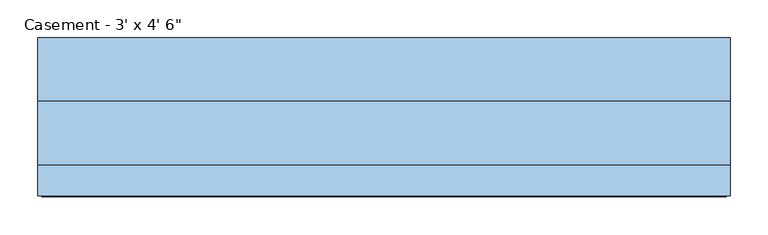
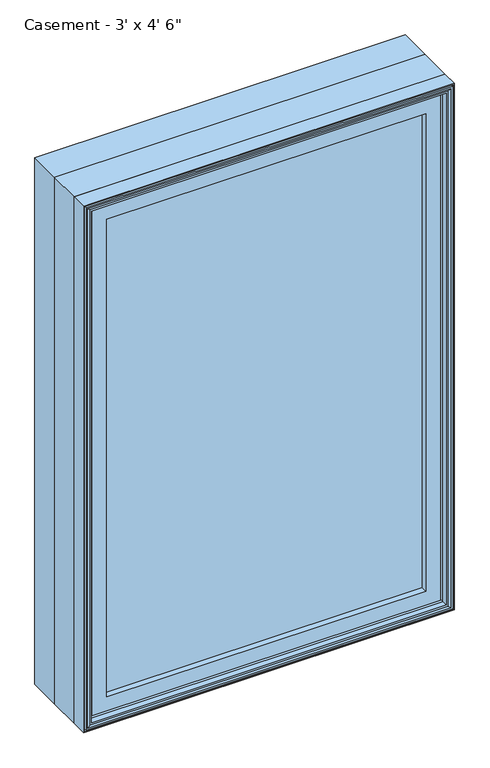
"""IFC4 building model written with IfcOpenShell, lengths in millimetres: window geometry."""

import ifcopenshell
import ifcopenshell.guid

model = None  # the IFC model being written
_history = None  # IfcOwnerHistory: only IFC2X3 demands one
_inside = {}  # id of a spatial element -> (the spatial element, [elements in it])
_under = {}  # id of a project, library or spatial element -> (it, [spatial elements below it])
_declared = {}  # id of a project -> (the project, [libraries it declares])
_typed = {}  # id of a type object -> (the type object, [elements of that type])
_made_of = {}  # id of a material, layer set ... -> (it, [elements and type objects made of it])


def new_model(schema):
    """Start an empty IFC model of exactly this schema.

    Asked for "IFC4X3", IfcOpenShell would pick the latest addendum, in which some entities
    have other attributes; the version numbers below select the first issue.
    IFC2X3 requires an IfcOwnerHistory on every rooted entity: one is made here for all.
    """
    global model, _history
    if schema == "IFC4X3":
        model = ifcopenshell.file(schema_version=(4, 3, 0, 0))
    else:
        model = ifcopenshell.file(schema=schema)
    _inside.clear()
    _under.clear()
    _declared.clear()
    _typed.clear()
    _made_of.clear()
    _history = None
    if model.schema == "IFC2X3":
        org = make("IfcOrganization", Name="unknown")
        user = make(
            "IfcPersonAndOrganization",
            ThePerson=make("IfcPerson", FamilyName="unknown"),
            TheOrganization=org,
        )
        app = make(
            "IfcApplication",
            ApplicationDeveloper=org,
            Version="unknown",
            ApplicationFullName="unknown",
            ApplicationIdentifier="unknown",
        )
        _history = make(
            "IfcOwnerHistory",
            OwningUser=user,
            OwningApplication=app,
            ChangeAction="ADDED",
            CreationDate=0,
        )
    return model


def make(cls, **values):
    """One entity of the class cls with the attributes given. An attribute that is None is left unset."""
    return model.create_entity(
        cls, **{name: value for name, value in values.items() if value is not None}
    )


def rooted(cls, **values):
    """An entity with a GlobalId (a new one), such as an element, a storey or a relation."""
    return make(cls, GlobalId=ifcopenshell.guid.new(), OwnerHistory=_history, **values)


def si_unit(unit_type, name, prefix=None):
    """IfcSIUnit, for example si_unit("LENGTHUNIT", "METRE", prefix="MILLI")."""
    return make("IfcSIUnit", UnitType=unit_type, Prefix=prefix, Name=name)


def assignment(units):
    """IfcUnitAssignment: the units of a project."""
    return None if units is None else make("IfcUnitAssignment", Units=units)


def point(xyz):
    """IfcCartesianPoint."""
    return None if xyz is None else make("IfcCartesianPoint", Coordinates=xyz)


def direction(xyz):
    """IfcDirection."""
    return None if xyz is None else make("IfcDirection", DirectionRatios=xyz)


def frame(location, z_axis=None, x_axis=None):
    """IfcAxis2Placement3D, a coordinate frame: its origin and axes. An axis left out is left unset."""
    return make(
        "IfcAxis2Placement3D",
        Location=point(location),
        Axis=direction(z_axis),
        RefDirection=direction(x_axis),
    )


def origin():
    """The frame at (0, 0, 0) with its axes left unset."""
    return frame((0.0, 0.0, 0.0))


def place(relative_to, where):
    """IfcLocalPlacement: puts the frame where relative to a parent placement (None: the world)."""
    return make(
        "IfcLocalPlacement", PlacementRelTo=relative_to, RelativePlacement=where
    )


def context(
    kind, dimensions, precision=None, world=None, true_north=None, identifier=None
):
    """IfcGeometricRepresentationContext, for example the 3D "Model" context."""
    return make(
        "IfcGeometricRepresentationContext",
        ContextIdentifier=identifier,
        ContextType=kind,
        CoordinateSpaceDimension=dimensions,
        Precision=precision,
        WorldCoordinateSystem=world,
        TrueNorth=true_north,
    )


def project(units=None, contexts=None):
    """IfcProject with its units and contexts."""
    return rooted(
        "IfcProject",
        Name="project",
        RepresentationContexts=contexts,
        UnitsInContext=assignment(units),
    )


def spatial(cls, under=None, at=None, **own):
    """A site, building, storey or space (cls), placed at a placement, below another one or the project."""
    s = rooted(cls, ObjectPlacement=at, **own)
    if under is not None:
        _under.setdefault(under.id(), (under, []))[1].append(s)
    return s


def polyline(points):
    """IfcPolyline through the points."""
    return make("IfcPolyline", Points=[point(p) for p in points])


def outline(outer, holes=None, kind="AREA"):
    """IfcArbitraryClosedProfileDef: a profile drawn as a closed curve; with holes, ...WithVoids."""
    if holes is None:
        return make("IfcArbitraryClosedProfileDef", ProfileType=kind, OuterCurve=outer)
    return make(
        "IfcArbitraryProfileDefWithVoids",
        ProfileType=kind,
        OuterCurve=outer,
        InnerCurves=holes,
    )


def extrude(swept, where, along, depth):
    """IfcExtrudedAreaSolid: the profile swept, set in the frame where, extruded along a direction by depth."""
    return make(
        "IfcExtrudedAreaSolid",
        SweptArea=swept,
        Position=where,
        ExtrudedDirection=direction(along),
        Depth=depth,
    )


def faces_of(points, faces, orient=None, outer=None):
    """IfcFace entities. A face is a list of loops; a loop is a list of indices into points, from 0.

    orient and outer hold one flag for each loop. By default every Orientation is true, the
    first loop of a face is its IfcFaceOuterBound and the others are IfcFaceBound.
    """
    made = []
    for i, loops in enumerate(faces):
        bounds = []
        for j, loop in enumerate(loops):
            is_outer = j == 0 if outer is None else outer[i][j]
            bounds.append(
                make(
                    "IfcFaceOuterBound" if is_outer else "IfcFaceBound",
                    Bound=make("IfcPolyLoop", Polygon=[points[k] for k in loop]),
                    Orientation=True if orient is None else orient[i][j],
                )
            )
        made.append(make("IfcFace", Bounds=bounds))
    return made


def faceted_brep(points, faces, orient=None, outer=None, voids=None):
    """IfcFacetedBrep: a solid bounded by flat faces; with voids (closed shells), ...WithVoids."""
    shared = [point(p) for p in points]
    hull = make("IfcClosedShell", CfsFaces=faces_of(shared, faces, orient, outer))
    if voids is None:
        return make("IfcFacetedBrep", Outer=hull)
    return make(
        "IfcFacetedBrepWithVoids",
        Outer=hull,
        Voids=[
            make(cls, CfsFaces=faces_of(shared, fs, o, b)) for cls, fs, o, b in voids
        ],
    )


def shape(context_of_items, identifier, shape_type, items):
    """IfcShapeRepresentation: the items that make up one representation, for example the "Body"."""
    return make(
        "IfcShapeRepresentation",
        ContextOfItems=context_of_items,
        RepresentationIdentifier=identifier,
        RepresentationType=shape_type,
        Items=items,
    )


def source(mapping_origin, context_of_items, identifier, shape_type, items):
    """IfcRepresentationMap: a shape defined once, which mapped items show again and again."""
    return make(
        "IfcRepresentationMap",
        MappingOrigin=mapping_origin,
        MappedRepresentation=shape(context_of_items, identifier, shape_type, items),
    )


def transform(
    local_origin,
    x_axis=None,
    y_axis=None,
    z_axis=None,
    scale=None,
    scale2=None,
    scale3=None,
    uniform=True,
):
    """IfcCartesianTransformationOperator3D, or its non-uniform kind. x_axis, y_axis, z_axis: its Axis1, 2, 3."""
    if uniform:
        return make(
            "IfcCartesianTransformationOperator3D",
            Axis1=direction(x_axis),
            Axis2=direction(y_axis),
            LocalOrigin=point(local_origin),
            Scale=scale,
            Axis3=direction(z_axis),
        )
    return make(
        "IfcCartesianTransformationOperator3DnonUniform",
        Axis1=direction(x_axis),
        Axis2=direction(y_axis),
        LocalOrigin=point(local_origin),
        Scale=scale,
        Axis3=direction(z_axis),
        Scale2=scale2,
        Scale3=scale3,
    )


def mapped(mapping_source, mapping_target):
    """IfcMappedItem: shows the shape of a source again, moved by a transform."""
    return make(
        "IfcMappedItem", MappingSource=mapping_source, MappingTarget=mapping_target
    )


def made_of(thing, what):
    """Note that an element or type object is made of a material, layer set ...; save() writes the relation."""
    if what is not None:
        _made_of.setdefault(what.id(), (what, []))[1].append(thing)
    return thing


def element(
    cls,
    number,
    at=None,
    inside=None,
    cuts=None,
    type_object=None,
    material=None,
    context=None,
    identifier="Body",
    shape_type=None,
    held_by="IfcProductDefinitionShape",
    body=None,
    shapes=None,
    **own,
):
    """One element of the class cls, such as IfcWall. Its Tag is "e" and its number.

    at: its placement. inside: the storey or other place that contains it. cuts: it is an
    opening in that element (IfcRelVoidsElement). A single representation is given by context,
    identifier, shape_type and body (its items); several are given by shapes. held_by: the class
    of the entity that holds the representations. save() writes the other relations.
    """
    e = rooted(cls, Tag="e%d" % number, ObjectPlacement=at, **own)
    if body is not None:
        shapes = [shape(context, identifier, shape_type, body)]
    if shapes is not None:
        e.Representation = make(held_by, Representations=shapes)
    if inside is not None:
        _inside.setdefault(inside.id(), (inside, []))[1].append(e)
    if cuts is not None:
        rooted(
            "IfcRelVoidsElement", RelatingBuildingElement=cuts, RelatedOpeningElement=e
        )
    if type_object is not None:
        _typed.setdefault(type_object.id(), (type_object, []))[1].append(e)
    return made_of(e, material)


def aggregate(whole, parts):
    """IfcRelAggregates: a whole, such as a stair, and the parts it consists of."""
    return rooted("IfcRelAggregates", RelatingObject=whole, RelatedObjects=parts)


def save(model, path):
    """Write the relations noted so far, then the file.

    IfcRelAggregates (storeys below a building ...), IfcRelContainedInSpatialStructure (elements
    in a storey), IfcRelDefinesByType, IfcRelAssociatesMaterial and IfcRelDeclares: one each for
    every whole, place, type object, material and project.
    """
    for whole, parts in _under.values():
        aggregate(whole, parts)
    for where, things in _inside.values():
        rooted(
            "IfcRelContainedInSpatialStructure",
            RelatedElements=things,
            RelatingStructure=where,
        )
    for kind, things in _typed.values():
        rooted("IfcRelDefinesByType", RelatedObjects=things, RelatingType=kind)
    for what, things in _made_of.values():
        rooted("IfcRelAssociatesMaterial", RelatedObjects=things, RelatingMaterial=what)
    for by, libraries in _declared.values():
        rooted("IfcRelDeclares", RelatingContext=by, RelatedDefinitions=libraries)
    model.write(path)


def window_04f2a6c4(model_context):
    return source(origin(), model_context, "Body", "SolidModel", [
        extrude(outline(polyline([(405.209375, -74.0770729), (405.209375, -91.5395729), (-405.1849783, -91.5395729), (-405.1849783, -74.0770729), (405.209375, -74.0770729)])), frame((0.0, 0.0, 971.5119), z_axis=(0.0, 0.0, 1.0), x_axis=(1.0, 0.0, 0.0)), (0.0, 0.0, 1.0), 1257.3762),
        extrude(outline(polyline([(2286.0, -457.2), (914.4, -457.2), (914.4, 457.2), (2286.0, 457.2), (2286.0, -457.2)]), holes=[polyline([(930.275, -441.325), (2270.125, -441.325), (2270.125, 441.325), (930.275, 441.325), (930.275, -441.325)])]), frame((0.0, 6.1515625, 0.0), z_axis=(0.0, 1.0, 0.0), x_axis=(0.0, 0.0, 1.0)), (0.0, 0.0, 1.0), 82.7484375),
        faceted_brep([(-405.1849783, -74.0770729, 966.4150217), (-405.1849783, -74.0770729, 2233.9849783), (-405.1849783, -91.5395729, 2233.9849783), (-405.1849783, -91.5395729, 966.4150217), (-393.5015625, -72.8793953, 978.0984375), (-393.5015625, -72.8793953, 2222.3015625), (-393.5015625, -74.0770729, 2222.3015625), (-393.5015625, -74.0770729, 978.0984375), (-396.2498111, -59.9499024, 975.3501889), (-396.2498111, -59.9499024, 2225.0498111), (-424.2341084, -91.5395729, 947.3658916), (-424.2341084, -91.5395729, 2253.0341084), (-424.2341084, -59.9499024, 2253.0341084), (-424.2341084, -59.9499024, 947.3658916), (405.1849783, -74.0770729, 2233.9849783), (405.1849783, -91.5395729, 2233.9849783), (393.5015625, -72.8793953, 2222.3015625), (393.5015625, -74.0770729, 2222.3015625), (396.2498111, -59.9499024, 2225.0498111), (424.2341084, -91.5395729, 2253.0341084), (424.2341084, -59.9499024, 2253.0341084), (405.1849783, -74.0770729, 966.4150217), (405.1849783, -91.5395729, 966.4150217), (393.5015625, -72.8793953, 978.0984375), (393.5015625, -74.0770729, 978.0984375), (396.2498111, -59.9499024, 975.3501889), (424.2341084, -91.5395729, 947.3658916), (424.2341084, -59.9499024, 947.3658916)], [[[0, 1, 2, 3]], [[4, 5, 6, 7]], [[8, 9, 5, 4]], [[10, 11, 12, 13]], [[1, 14, 15, 2]], [[5, 16, 17, 6]], [[9, 18, 16, 5]], [[11, 19, 20, 12]], [[14, 21, 22, 15]], [[16, 23, 24, 17]], [[18, 25, 23, 16]], [[19, 26, 27, 20]], [[11, 10, 26, 19], [3, 2, 15, 22]], [[21, 0, 3, 22]], [[1, 0, 21, 14], [7, 6, 17, 24]], [[23, 4, 7, 24]], [[25, 8, 4, 23]], [[13, 12, 20, 27], [9, 8, 25, 18]], [[26, 10, 13, 27]]]),
        extrude(outline(polyline([(2259.1033048, -430.3033048), (941.2966952, -430.3033048), (941.2966952, 430.3033048), (2259.1033048, 430.3033048), (2259.1033048, -430.3033048)]), holes=[polyline([(978.0984375, -393.5015625), (2222.3015625, -393.5015625), (2222.3015625, 393.5015625), (978.0984375, 393.5015625), (978.0984375, -393.5015625)])]), frame((0.0, -106.9883505, 0.0), z_axis=(0.0, 1.0, 0.0), x_axis=(0.0, 0.0, 1.0)), (0.0, 0.0, 1.0), 15.4487776),
        faceted_brep([(-442.6220166, -119.2736375, 928.9779834), (-442.6220166, -119.2736375, 2271.4220166), (-447.955345, -120.8484375, 2276.755345), (-447.955345, -120.8484375, 923.644655), (-437.7526868, -104.4927591, 933.8473132), (-437.7526868, -104.4927591, 2266.5526868), (-437.7526868, -119.2736375, 2266.5526868), (-437.7526868, -119.2736375, 933.8473132), (-436.5244, -90.3195591, 935.0756), (-436.5244, -90.3195591, 2265.3244), (-436.5244, -79.171779, 935.0756), (-436.5244, -79.171779, 2265.3244), (-457.2, -119.6932773, 914.4), (-457.2, -119.6932773, 2286.0), (-457.2, -79.171779, 2286.0), (-457.2, -79.171779, 914.4), (-454.914, -111.1241649, 916.686), (-454.914, -111.1241649, 2283.714), (-454.914, -119.6932773, 2283.714), (-454.914, -119.6932773, 916.686), (-452.1962, -120.8484375, 919.4038), (-452.1962, -120.8484375, 2280.9962), (-452.1962, -111.1241649, 2280.9962), (-452.1962, -111.1241649, 919.4038), (442.6220166, -119.2736375, 2271.4220166), (447.955345, -120.8484375, 2276.755345), (437.7526868, -104.4927591, 2266.5526868), (437.7526868, -119.2736375, 2266.5526868), (436.5244, -90.3195591, 2265.3244), (436.5244, -79.171779, 2265.3244), (457.2, -119.6932773, 2286.0), (457.2, -79.171779, 2286.0), (454.914, -111.1241649, 2283.714), (454.914, -119.6932773, 2283.714), (452.1962, -120.8484375, 2280.9962), (452.1962, -111.1241649, 2280.9962), (442.6220166, -119.2736375, 928.9779834), (447.955345, -120.8484375, 923.644655), (437.7526868, -104.4927591, 933.8473132), (437.7526868, -119.2736375, 933.8473132), (436.5244, -90.3195591, 935.0756), (436.5244, -79.171779, 935.0756), (457.2, -119.6932773, 914.4), (457.2, -79.171779, 914.4), (454.914, -111.1241649, 916.686), (454.914, -119.6932773, 916.686), (452.1962, -120.8484375, 919.4038), (452.1962, -111.1241649, 919.4038)], [[[0, 1, 2, 3]], [[4, 5, 6, 7]], [[8, 9, 5, 4]], [[10, 11, 9, 8]], [[12, 13, 14, 15]], [[16, 17, 18, 19]], [[20, 21, 22, 23]], [[1, 24, 25, 2]], [[5, 26, 27, 6]], [[9, 28, 26, 5]], [[11, 29, 28, 9]], [[13, 30, 31, 14]], [[17, 32, 33, 18]], [[21, 34, 35, 22]], [[24, 36, 37, 25]], [[26, 38, 39, 27]], [[28, 40, 38, 26]], [[29, 41, 40, 28]], [[30, 42, 43, 31]], [[32, 44, 45, 33]], [[34, 46, 47, 35]], [[36, 0, 3, 37]], [[1, 0, 36, 24], [7, 6, 27, 39]], [[38, 4, 7, 39]], [[40, 8, 4, 38]], [[41, 10, 8, 40]], [[15, 14, 31, 43], [11, 10, 41, 29]], [[42, 12, 15, 43]], [[13, 12, 42, 30], [19, 18, 33, 45]], [[44, 16, 19, 45]], [[17, 16, 44, 32], [23, 22, 35, 47]], [[46, 20, 23, 47]], [[21, 20, 46, 34], [3, 2, 25, 37]]]),
        faceted_brep([(-457.2, -79.171779, 914.4), (-457.2, -79.171779, 2286.0), (-457.2, 6.1515625, 2286.0), (-457.2, 6.1515625, 914.4), (-437.5404, -66.7563278, 934.0596), (-437.5404, -66.7563278, 2266.3404), (-437.5404, -79.171779, 2266.3404), (-437.5404, -79.171779, 934.0596), (-431.0634, -59.7093984, 940.5366), (-431.0634, -59.7093984, 2259.8634), (-431.0634, -66.7563278, 2259.8634), (-431.0634, -66.7563278, 940.5366), (-409.575, -39.9279649, 962.025), (-409.575, -39.9279649, 2238.375), (-409.575, -59.7093984, 2238.375), (-409.575, -59.7093984, 962.025), (-413.5374, -10.9227338, 958.0626), (-413.5374, -10.9227338, 2242.3374), (-413.5374, -39.9279649, 2242.3374), (-413.5374, -39.9279649, 958.0626), (457.2, -79.171779, 2286.0), (457.2, 6.1515625, 2286.0), (437.5404, -66.7563278, 2266.3404), (437.5404, -79.171779, 2266.3404), (431.0634, -59.7093984, 2259.8634), (431.0634, -66.7563278, 2259.8634), (409.575, -39.9279649, 2238.375), (409.575, -59.7093984, 2238.375), (413.5374, -10.9227338, 2242.3374), (413.5374, -39.9279649, 2242.3374), (457.2, -79.171779, 914.4), (457.2, 6.1515625, 914.4), (437.5404, -66.7563278, 934.0596), (437.5404, -79.171779, 934.0596), (431.0634, -59.7093984, 940.5366), (431.0634, -66.7563278, 940.5366), (409.575, -39.9279649, 962.025), (409.575, -59.7093984, 962.025), (413.5374, -10.9227338, 958.0626), (413.5374, -39.9279649, 958.0626), (-434.9761112, 6.1515625, 2263.7761112), (-434.9761112, 6.1515625, 936.6238888), (434.9761112, 6.1515625, 936.6238888), (434.9761112, 6.1515625, 2263.7761112), (-434.9761112, -10.9227338, 936.6238888), (-434.9761112, -10.9227338, 2263.7761112), (434.9761112, -10.9227338, 2263.7761112), (434.9761112, -10.9227338, 936.6238888)], [[[0, 1, 2, 3]], [[4, 5, 6, 7]], [[8, 9, 10, 11]], [[12, 13, 14, 15]], [[16, 17, 18, 19]], [[1, 20, 21, 2]], [[5, 22, 23, 6]], [[9, 24, 25, 10]], [[13, 26, 27, 14]], [[17, 28, 29, 18]], [[20, 30, 31, 21]], [[22, 32, 33, 23]], [[24, 34, 35, 25]], [[26, 36, 37, 27]], [[28, 38, 39, 29]], [[3, 2, 21, 31], [40, 41, 42, 43]], [[30, 0, 3, 31]], [[1, 0, 30, 20], [7, 6, 23, 33]], [[32, 4, 7, 33]], [[5, 4, 32, 22], [11, 10, 25, 35]], [[34, 8, 11, 35]], [[9, 8, 34, 24], [15, 14, 27, 37]], [[36, 12, 15, 37]], [[19, 18, 29, 39], [13, 12, 36, 26]], [[38, 16, 19, 39]], [[44, 45, 46, 47], [17, 16, 38, 28]], [[41, 40, 45, 44]], [[40, 43, 46, 45]], [[43, 42, 47, 46]], [[42, 41, 44, 47]]]),
    ])


if __name__ == "__main__":
    model = new_model("IFC4")
    model_context = context("Model", 3, world=origin())
    ifc_project = project(units=[si_unit("LENGTHUNIT", "METRE", prefix="MILLI")], contexts=[model_context])
    site = spatial("IfcSite", under=ifc_project)
    building = spatial("IfcBuilding", under=site)
    placement = place(None, origin())
    window_shape = window_04f2a6c4(model_context)
    element("IfcWindow", 1, ObjectType="Casement - 3' x 4' 6\"", at=placement, inside=building, context=model_context, shape_type="MappedRepresentation", body=[
        mapped(window_shape, transform((0.0, 0.0, 0.0), x_axis=(1.0, 0.0, 0.0), y_axis=(0.0, 1.0, 0.0), z_axis=(0.0, 0.0, 1.0))),
    ])
    save(model, "model.ifc")
